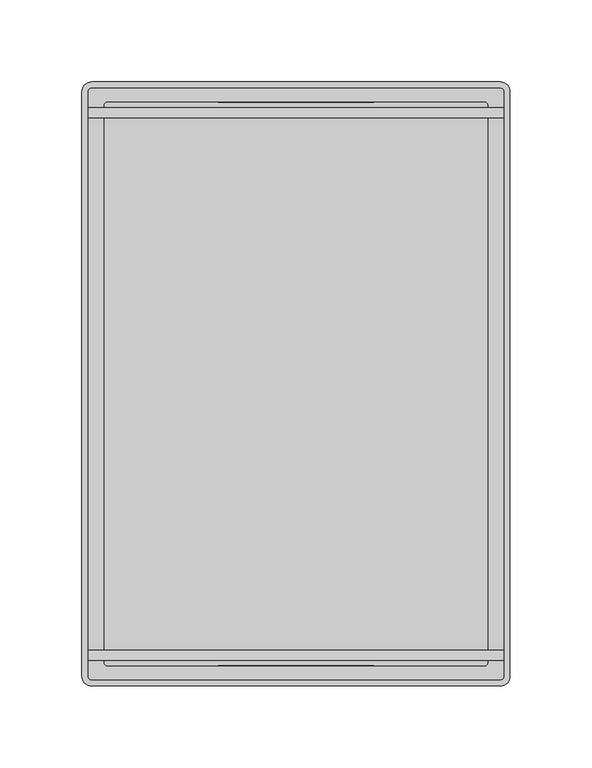
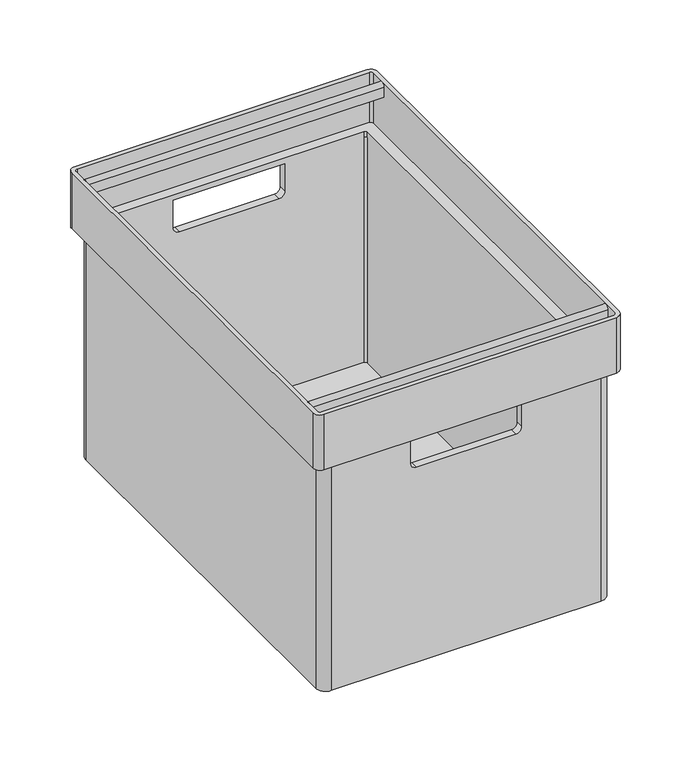
"""IFC4 building model written with IfcOpenShell, lengths in millimetres: furniture geometry."""

from ifc_helpers import new_model, si_unit, point, frame, frame_2d, origin, place, context, project, spatial, polyline, circle_curve, trimmed, segment, composite_curve, outline, extrude, source, transform, mapped, element, save
from ifc_brep_helpers import plane_surface, cylinder_surface, revolved_surface, advanced_brep


def furniture_829173c0(model_context):
    return source(origin(), model_context, "Body", "SolidModel", [
        extrude(outline(composite_curve([segment(polyline([(-15.8435052, 244.0), (-21.8435052, 244.0), (-21.8435052, 253.0)]), True, "CONTINUOUS"), segment(trimmed(circle_curve(frame_2d((-18.8435052, 253.0)), 3.0), [point((-21.8435052, 253.0))], [point((-15.8435052, 253.0))], False, "CARTESIAN"), True, "CONTINUOUS"), segment(polyline([(-15.8435052, 253.0), (-15.8435052, 244.0)]), True, "CONTINUOUS")], self_intersect=False)), frame((-126.7429658, 0.0, 0.0), z_axis=(1.0, 0.0, 0.0), x_axis=(0.0, 1.0, 0.0)), (0.0, 0.0, 1.0), 253.4858917),
        extrude(outline(composite_curve([segment(polyline([(-346.8212343, 244.0), (-352.8212343, 244.0), (-352.8212343, 253.0)]), True, "CONTINUOUS"), segment(trimmed(circle_curve(frame_2d((-349.8212343, 253.0)), 3.0), [point((-352.8212343, 253.0))], [point((-346.8212343, 253.0))], False, "CARTESIAN"), True, "CONTINUOUS"), segment(polyline([(-346.8212343, 253.0), (-346.8212343, 244.0)]), True, "CONTINUOUS")], self_intersect=False)), frame((-126.7429658, 0.0, 0.0), z_axis=(1.0, 0.0, 0.0), x_axis=(0.0, 1.0, 0.0)), (0.0, 0.0, 1.0), 253.4858917),
        advanced_brep(
        [(114.982071, -5.7194758, 0.0), (123.6128754, -14.3502802, 0.0), (123.6128754, -354.3502809, 0.0), (115.0178948, -362.9452614, 0.0), (-115.0179245, -362.9452614, 0.0), (-123.612909, -354.3502769, 0.0), (-123.612909, -14.3502769, 0.0), (-114.9821078, -5.7194758, 0.0), (-114.9821078, -5.7194758, 206.0), (-47.5000168, -5.7194758, 206.0), (-47.5000168, -5.7194758, 181.0), (-42.5000168, -5.7194758, 176.0), (42.4999832, -5.7194758, 176.0), (47.4999832, -5.7194758, 181.0), (47.4999832, -5.7194758, 206.0), (114.982071, -5.7194758, 206.0), (-123.612909, -14.3502769, 206.0), (-123.612909, -354.3502769, 206.0), (-115.0179245, -362.9452614, 206.0), (115.0178948, -362.9452614, 206.0), (47.4999832, -362.9452614, 206.0), (47.4999832, -362.9452614, 181.0), (42.4999832, -362.9452614, 176.0), (-42.5000168, -362.9452614, 176.0), (-47.5000168, -362.9452614, 181.0), (-47.5000168, -362.9452614, 206.0), (123.6128754, -354.3502809, 206.0), (123.6128754, -14.3502802, 206.0), (-115.0179245, -356.3452614, 206.0), (-115.0179245, -356.3452614, 3.0), (-117.012909, -354.3502769, 3.0), (-117.012909, -354.3502769, 206.0), (-117.012909, -14.3502769, 3.0), (-117.012909, -14.3502769, 206.0), (-117.012909, -14.3502769, 211.0), (-117.012909, -354.3502769, 211.0), (-114.9821078, -12.3194758, 3.0), (-114.9821078, -12.3194758, 206.0), (114.982071, -12.3194758, 3.0), (114.982071, -12.3194758, 206.0), (114.982071, -12.3194758, 211.0), (-114.9821078, -12.3194758, 211.0), (-47.5000168, -12.3194758, 181.0), (-47.5000168, -12.3194758, 206.0), (47.4999832, -12.3194758, 206.0), (47.4999832, -12.3194758, 181.0), (42.4999832, -12.3194758, 176.0), (-42.5000168, -12.3194758, 176.0), (117.0128754, -14.3502802, 3.0), (117.0128754, -14.3502802, 206.0), (117.0128754, -354.3502809, 3.0), (117.0128754, -354.3502809, 206.0), (117.0128754, -354.3502809, 211.0), (117.0128754, -14.3502802, 211.0), (115.0178948, -356.3452614, 3.0), (115.0178948, -356.3452614, 206.0), (-115.0179245, -356.3452614, 211.0), (115.0178948, -356.3452614, 211.0), (-47.5000168, -356.3452614, 206.0), (-47.5000168, -356.3452614, 181.0), (-42.5000168, -356.3452614, 176.0), (42.4999832, -356.3452614, 176.0), (47.4999832, -356.3452614, 181.0), (47.4999832, -356.3452614, 206.0), (-130.6129594, -362.7927468, 256.0), (-124.7437224, -368.6619836, 256.0), (124.7436887, -368.6619836, 256.0), (130.6129257, -362.7927468, 256.0), (130.6129323, -5.8719918, 256.0), (124.7436938, -0.0027532, 256.0), (-124.7437822, -0.0027532, 256.0), (-130.612966, -5.8719372, 256.0), (-126.7429594, -362.7927467, 256.0), (-126.742966, -5.8719371, 256.0), (-124.7437822, -3.8727532, 256.0), (124.7436938, -3.8727532, 256.0), (126.7429323, -5.8719918, 256.0), (126.7429257, -362.7927467, 256.0), (124.7436887, -364.7919836, 256.0), (-124.7437224, -364.7919836, 256.0), (-130.6129594, -362.7927468, 206.0), (-130.612966, -5.8719372, 206.0), (-124.7437822, -0.0027532, 206.0), (124.7436938, -0.0027532, 206.0), (130.6129323, -5.8719918, 206.0), (130.6129257, -362.7927468, 206.0), (124.7436887, -368.6619836, 206.0), (-124.7437224, -368.6619836, 206.0), (-126.7429594, -362.7927467, 211.0), (-126.742966, -5.8719371, 211.0), (-124.7437822, -3.8727532, 211.0), (124.7436938, -3.8727532, 211.0), (126.7429323, -5.8719918, 211.0), (126.7429257, -362.7927467, 211.0), (124.7436887, -364.7919836, 211.0), (-124.7437224, -364.7919836, 211.0)],
        [
            (0, 1, circle_curve(frame((114.982071, -14.3502802, 0.0), z_axis=(0.0, 0.0, -1.0), x_axis=(1.0, 0.0, 0.0)), 8.6308044)),
            (1, 2),
            (2, 3, circle_curve(frame((115.0178948, -354.3502809, 0.0), z_axis=(0.0, 0.0, -1.0), x_axis=(1.0, 0.0, 0.0)), 8.5949806)),
            (3, 4),
            (4, 5, circle_curve(frame((-115.0179245, -354.3502769, 0.0), z_axis=(0.0, 0.0, -1.0), x_axis=(1.0, 0.0, 0.0)), 8.5949845)),
            (5, 6),
            (6, 7, circle_curve(frame((-114.9821078, -14.3502769, 0.0), z_axis=(0.0, 0.0, -1.0), x_axis=(1.0, 0.0, 0.0)), 8.6308012)),
            (7, 0),
            (7, 8),
            (8, 9),
            (9, 10),
            (10, 11, circle_curve(frame((-42.5000168, -5.7194758, 181.0), z_axis=(0.0, -1.0, 0.0), x_axis=(-0.7071067811865476, 0.0, -0.7071067811865476)), 5.0)),
            (11, 12),
            (12, 13, circle_curve(frame((42.4999832, -5.7194758, 181.0), z_axis=(0.0, -1.0, 0.0), x_axis=(0.7071067811865476, 0.0, -0.7071067811865476)), 5.0)),
            (13, 14),
            (14, 15),
            (15, 0),
            (6, 16),
            (16, 8, circle_curve(frame((-114.9821078, -14.3502769, 206.0), z_axis=(0.0, 0.0, -1.0), x_axis=(1.0, 0.0, 0.0)), 8.6308012)),
            (5, 17),
            (17, 16),
            (4, 18),
            (18, 17, circle_curve(frame((-115.0179245, -354.3502769, 206.0), z_axis=(0.0, 0.0, -1.0), x_axis=(1.0, 0.0, 0.0)), 8.5949845)),
            (3, 19),
            (19, 20),
            (20, 21),
            (21, 22, circle_curve(frame((42.4999832, -362.9452614, 181.0), z_axis=(0.0, 1.0, 0.0), x_axis=(0.7071067811865476, 0.0, -0.7071067811865476)), 5.0)),
            (22, 23),
            (23, 24, circle_curve(frame((-42.5000168, -362.9452614, 181.0), z_axis=(0.0, 1.0, 0.0), x_axis=(-0.7071067811865476, 0.0, -0.7071067811865476)), 5.0)),
            (24, 25),
            (25, 18),
            (2, 26),
            (26, 19, circle_curve(frame((115.0178948, -354.3502809, 206.0), z_axis=(0.0, 0.0, -1.0), x_axis=(1.0, 0.0, 0.0)), 8.5949806)),
            (1, 27),
            (27, 26),
            (15, 27, circle_curve(frame((114.982071, -14.3502802, 206.0), z_axis=(0.0, 0.0, -1.0), x_axis=(1.0, 0.0, 0.0)), 8.6308044)),
            (28, 29),
            (29, 30, circle_curve(frame((-115.0179245, -354.3502769, 3.0), z_axis=(0.0, 0.0, -1.0), x_axis=(1.0, 0.0, 0.0)), 1.9949845)),
            (30, 31),
            (31, 28, circle_curve(frame((-115.0179245, -354.3502769, 206.0), z_axis=(0.0, 0.0, 1.0), x_axis=(1.0, 0.0, 0.0)), 1.9949845)),
            (30, 32),
            (32, 33),
            (33, 34),
            (34, 35),
            (35, 31),
            (32, 36, circle_curve(frame((-114.9821078, -14.3502769, 3.0), z_axis=(0.0, 0.0, -1.0), x_axis=(1.0, 0.0, 0.0)), 2.0308012)),
            (36, 37),
            (37, 33, circle_curve(frame((-114.9821078, -14.3502769, 206.0), z_axis=(0.0, 0.0, 1.0), x_axis=(1.0, 0.0, 0.0)), 2.0308012)),
            (36, 38),
            (38, 39),
            (39, 40),
            (40, 41),
            (41, 37),
            (42, 43),
            (43, 44),
            (44, 45),
            (45, 46, circle_curve(frame((42.4999832, -12.3194758, 181.0), z_axis=(0.0, 1.0, 0.0), x_axis=(0.7071067811865476, 0.0, -0.7071067811865476)), 5.0)),
            (46, 47),
            (47, 42, circle_curve(frame((-42.5000168, -12.3194758, 181.0), z_axis=(0.0, 1.0, 0.0), x_axis=(-0.7071067811865476, 0.0, -0.7071067811865476)), 5.0)),
            (38, 48, circle_curve(frame((114.982071, -14.3502802, 3.0), z_axis=(0.0, 0.0, -1.0), x_axis=(1.0, 0.0, 0.0)), 2.0308044)),
            (48, 49),
            (49, 39, circle_curve(frame((114.982071, -14.3502802, 206.0), z_axis=(0.0, 0.0, 1.0), x_axis=(1.0, 0.0, 0.0)), 2.0308044)),
            (48, 50),
            (50, 51),
            (51, 52),
            (52, 53),
            (53, 49),
            (50, 54, circle_curve(frame((115.0178948, -354.3502809, 3.0), z_axis=(0.0, 0.0, -1.0), x_axis=(1.0, 0.0, 0.0)), 1.9949806)),
            (54, 55),
            (55, 51, circle_curve(frame((115.0178948, -354.3502809, 206.0), z_axis=(0.0, 0.0, 1.0), x_axis=(1.0, 0.0, 0.0)), 1.9949806)),
            (28, 56),
            (56, 57),
            (57, 55),
            (54, 29),
            (58, 59),
            (59, 60, circle_curve(frame((-42.5000168, -356.3452614, 181.0), z_axis=(0.0, -1.0, 0.0), x_axis=(-0.7071067811865476, 0.0, -0.7071067811865476)), 5.0)),
            (60, 61),
            (61, 62, circle_curve(frame((42.4999832, -356.3452614, 181.0), z_axis=(0.0, -1.0, 0.0), x_axis=(0.7071067811865476, 0.0, -0.7071067811865476)), 5.0)),
            (62, 63),
            (63, 58),
            (9, 43),
            (42, 10),
            (58, 25),
            (24, 59),
            (47, 11),
            (23, 60),
            (46, 12),
            (22, 61),
            (45, 13),
            (21, 62),
            (44, 14),
            (20, 63),
            (64, 65, circle_curve(frame((-124.7437224, -362.7927466, 256.0), z_axis=(0.0, 0.0, 1.0), x_axis=(-0.7071071357819734, -0.707106426590944, 0.0)), 5.869237)),
            (65, 66),
            (66, 67, circle_curve(frame((124.7436887, -362.7927466, 256.0), z_axis=(0.0, 0.0, 1.0), x_axis=(0.707107135781973, -0.7071064265909442, 0.0)), 5.869237)),
            (67, 68),
            (68, 69, circle_curve(frame((124.7436938, -5.8719917, 256.0), z_axis=(0.0, 0.0, 1.0), x_axis=(0.7070971226495167, 0.7071164395916518, 0.0)), 5.8692385)),
            (69, 70),
            (70, 71, circle_curve(frame((-124.7437822, -5.8719371, 256.0), z_axis=(0.0, 0.0, 1.0), x_axis=(-0.7071066694437559, 0.7071068929293217, 0.0)), 5.8691838)),
            (71, 64),
            (72, 73),
            (73, 74, circle_curve(frame((-124.7437822, -5.8719371, 256.0), z_axis=(0.0, 0.0, -1.0), x_axis=(-0.7071066694437559, 0.7071068929293217, 0.0)), 1.9991838)),
            (74, 75),
            (75, 76, circle_curve(frame((124.7436938, -5.8719917, 256.0), z_axis=(0.0, 0.0, -1.0), x_axis=(0.7070971226495167, 0.7071164395916518, 0.0)), 1.9992385)),
            (76, 77),
            (77, 78, circle_curve(frame((124.7436887, -362.7927466, 256.0), z_axis=(0.0, 0.0, -1.0), x_axis=(0.707107135781973, -0.7071064265909442, 0.0)), 1.999237)),
            (78, 79),
            (79, 72, circle_curve(frame((-124.7437224, -362.7927466, 256.0), z_axis=(0.0, 0.0, -1.0), x_axis=(-0.7071071357819734, -0.707106426590944, 0.0)), 1.999237)),
            (80, 81),
            (81, 82, circle_curve(frame((-124.7437822, -5.8719371, 206.0), z_axis=(0.0, 0.0, -1.0), x_axis=(-0.7071066694437559, 0.7071068929293217, 0.0)), 5.8691838)),
            (82, 83),
            (83, 84, circle_curve(frame((124.7436938, -5.8719917, 206.0), z_axis=(0.0, 0.0, -1.0), x_axis=(0.7070971226495167, 0.7071164395916518, 0.0)), 5.8692385)),
            (84, 85),
            (85, 86, circle_curve(frame((124.7436887, -362.7927466, 206.0), z_axis=(0.0, 0.0, -1.0), x_axis=(0.707107135781973, -0.7071064265909442, 0.0)), 5.869237)),
            (86, 87),
            (87, 80, circle_curve(frame((-124.7437224, -362.7927466, 206.0), z_axis=(0.0, 0.0, -1.0), x_axis=(-0.7071071357819734, -0.707106426590944, 0.0)), 5.869237)),
            (72, 88),
            (88, 89),
            (89, 73),
            (89, 90, circle_curve(frame((-124.7437822, -5.8719371, 211.0), z_axis=(0.0, 0.0, -1.0), x_axis=(-0.7071066694437559, 0.7071068929293217, 0.0)), 1.9991838)),
            (90, 74),
            (90, 91),
            (91, 75),
            (91, 92, circle_curve(frame((124.7436938, -5.8719917, 211.0), z_axis=(0.0, 0.0, -1.0), x_axis=(0.7070971226495167, 0.7071164395916518, 0.0)), 1.9992385)),
            (92, 76),
            (92, 93),
            (93, 77),
            (93, 94, circle_curve(frame((124.7436887, -362.7927466, 211.0), z_axis=(0.0, 0.0, -1.0), x_axis=(0.707107135781973, -0.7071064265909442, 0.0)), 1.999237)),
            (94, 78),
            (94, 95),
            (95, 79),
            (95, 88, circle_curve(frame((-124.7437224, -362.7927466, 211.0), z_axis=(0.0, 0.0, -1.0), x_axis=(-0.7071071357819734, -0.707106426590944, 0.0)), 1.999237)),
            (64, 80),
            (87, 65),
            (86, 66),
            (85, 67),
            (84, 68),
            (83, 69),
            (82, 70),
            (81, 71),
            (34, 41, circle_curve(frame((-114.9821078, -14.3502769, 211.0), z_axis=(0.0, 0.0, -1.0), x_axis=(1.0, 0.0, 0.0)), 2.0308012)),
            (40, 53, circle_curve(frame((114.982071, -14.3502802, 211.0), z_axis=(0.0, 0.0, -1.0), x_axis=(1.0, 0.0, 0.0)), 2.0308044)),
            (52, 57, circle_curve(frame((115.0178948, -354.3502809, 211.0), z_axis=(0.0, 0.0, -1.0), x_axis=(1.0, 0.0, 0.0)), 1.9949806)),
            (56, 35, circle_curve(frame((-115.0179245, -354.3502769, 211.0), z_axis=(0.0, 0.0, -1.0), x_axis=(1.0, 0.0, 0.0)), 1.9949845)),
        ],
        [
            plane_surface(frame((-115.017929, -5.7194758, 0.0), z_axis=(0.0, 0.0, -1.0), x_axis=(1.0, 0.0, 0.0))),
            plane_surface(frame((114.982071, -5.7194758, 206.0), z_axis=(0.0, 1.0, 0.0), x_axis=(0.0, 0.0, -1.0))),
            cylinder_surface(frame((-114.9821078, -14.3502769, 0.0), z_axis=(0.0, 0.0, 1.0), x_axis=(1.0, 0.0, 0.0)), 8.6308012),
            plane_surface(frame((-123.612909, -14.3502769, 206.0), z_axis=(-1.0, 0.0, 0.0), x_axis=(0.0, 0.0, -1.0))),
            cylinder_surface(frame((-115.0179245, -354.3502769, 0.0), z_axis=(0.0, 0.0, 1.0), x_axis=(1.0, 0.0, 0.0)), 8.5949845),
            plane_surface(frame((-115.0179245, -362.9452614, 206.0), z_axis=(0.0, -1.0, 0.0), x_axis=(0.0, 0.0, -1.0))),
            cylinder_surface(frame((115.0178948, -354.3502809, 0.0), z_axis=(0.0, 0.0, 1.0), x_axis=(1.0, 0.0, 0.0)), 8.5949806),
            plane_surface(frame((123.6128754, -354.3502809, 206.0), z_axis=(1.0, 0.0, 0.0), x_axis=(0.0, 0.0, -1.0))),
            cylinder_surface(frame((114.982071, -14.3502802, 0.0), z_axis=(0.0, 0.0, 1.0), x_axis=(1.0, 0.0, 0.0)), 8.6308044),
            revolved_surface(polyline([(-113.02294, -354.3502769, 3.0), (-113.02294, -354.3502769, 206.0)]), (-115.0179245, -354.3502769, 0.0), (0.0, 0.0, -1.0)),
            plane_surface(frame((-117.012909, -354.3502769, 206.0), z_axis=(1.0, 0.0, 0.0), x_axis=(0.0, 0.0, -1.0))),
            revolved_surface(polyline([(-112.9513066, -14.3502769, 3.0), (-112.9513066, -14.3502769, 206.0)]), (-114.9821078, -14.3502769, 0.0), (0.0, 0.0, -1.0)),
            plane_surface(frame((-114.9821078, -12.3194758, 206.0), z_axis=(0.0, -1.0, 0.0), x_axis=(0.0, 0.0, -1.0))),
            revolved_surface(polyline([(117.0128754, -14.3502802, 3.0), (117.0128754, -14.3502802, 206.0)]), (114.982071, -14.3502802, 0.0), (0.0, 0.0, -1.0)),
            plane_surface(frame((117.0128754, -14.3502802, 206.0), z_axis=(-1.0, 0.0, 0.0), x_axis=(0.0, 0.0, -1.0))),
            revolved_surface(polyline([(117.0128754, -354.3502809, 3.0), (117.0128754, -354.3502809, 206.0)]), (115.0178948, -354.3502809, 0.0), (0.0, 0.0, -1.0)),
            plane_surface(frame((115.0178948, -356.3452614, 206.0), z_axis=(0.0, 1.0, 0.0), x_axis=(0.0, 0.0, -1.0))),
            plane_surface(frame((-117.012909, -354.3502769, 3.0), z_axis=(0.0, 0.0, 1.0), x_axis=(0.0, -1.0, 0.0))),
            plane_surface(frame((-47.5000168, -368.6647369, 206.0), z_axis=(1.0, 0.0, 0.0), x_axis=(0.0, 1.0, 0.0))),
            revolved_surface(polyline([(-46.035550705932735, -12.319475800000006, 177.46446609406726), (-46.035550705932735, -5.719475800000001, 177.46446609406726)]), (-42.5000168, 0.0, 181.0), (0.0, -1.0000000000000002, 0.0)),
            revolved_surface(polyline([(-46.035550705932735, -362.9452614000001, 177.46446609406726), (-46.035550705932735, -356.34526140000014, 177.46446609406726)]), (-42.5000168, 0.0, 181.0), (0.0, -1.0000000000000002, 0.0)),
            plane_surface(frame((-42.5000168, -368.6647369, 176.0), z_axis=(0.0, 0.0, 1.0), x_axis=(0.0, 1.0, 0.0))),
            revolved_surface(polyline([(46.03551710593274, -12.319475800000006, 177.46446609406726), (46.03551710593274, -5.719475800000001, 177.46446609406726)]), (42.4999832, 0.0, 181.0), (0.0, -1.0000000000000002, 0.0)),
            revolved_surface(polyline([(46.03551710593274, -362.9452614000001, 177.46446609406726), (46.03551710593274, -356.34526140000014, 177.46446609406726)]), (42.4999832, 0.0, 181.0), (0.0, -1.0000000000000002, 0.0)),
            plane_surface(frame((47.4999832, -368.6647369, 181.0), z_axis=(-1.0, 0.0, 0.0), x_axis=(0.0, 1.0, 0.0))),
            plane_surface(frame((-126.742966, -5.8719371, 256.0), z_axis=(0.0, 0.0, 1.0000000000000002), x_axis=(-1.8490569476654465e-08, 0.9999999999999999, 0.0))),
            plane_surface(frame((-126.742966, -5.8719371, 206.0), z_axis=(0.0, 0.0, -1.0000000000000002), x_axis=(1.8490569476654465e-08, -0.9999999999999999, 0.0))),
            plane_surface(frame((-126.7429594, -362.7927467, 256.0), z_axis=(0.9999999999999999, 1.8490569476654465e-08, 0.0), x_axis=(0.0, 0.0, -1.0))),
            revolved_surface(polyline([(-126.15741839842391, -4.4583004547873655, 211.0), (-126.15741839842391, -4.4583004547873655, 256.0)]), (-124.7437822, -5.8719371, 206.0), (0.0, 0.0, -1.0000000000000002)),
            plane_surface(frame((-124.7437822, -3.8727532, 256.0), z_axis=(0.0, -1.0, 0.0), x_axis=(0.0, 0.0, -1.0))),
            revolved_surface(polyline([(126.15734959084014, -4.458297289985445, 211.0), (126.15734959084014, -4.458297289985445, 256.0)]), (124.7436938, -5.8719917, 206.0), (0.0, 0.0, -1.0)),
            plane_surface(frame((126.7429323, -5.8719918, 256.0), z_axis=(-0.9999999999999999, 1.8490838391789205e-08, 0.0), x_axis=(0.0, 0.0, -1.0))),
            revolved_surface(polyline([(126.15736344881935, -364.20641993097837, 211.0), (126.15736344881935, -364.20641993097837, 256.0)]), (124.7436887, -362.7927466, 206.0), (0.0, 0.0, -1.0)),
            plane_surface(frame((124.7436887, -364.7919836, 256.0), z_axis=(0.0, 1.0, 0.0), x_axis=(0.0, 0.0, -1.0))),
            revolved_surface(polyline([(-126.15739714881934, -364.20641993097837, 211.0), (-126.15739714881934, -364.20641993097837, 256.0)]), (-124.7437224, -362.7927466, 206.0), (0.0, 0.0, -1.0000000000000002)),
            cylinder_surface(frame((-124.7437224, -362.7927466, 0.0), z_axis=(0.0, 0.0, 1.0000000000000002), x_axis=(-0.7071071357819734, -0.707106426590944, 0.0)), 5.869237),
            plane_surface(frame((-124.7437224, -368.6619836, 256.0), z_axis=(0.0, -1.0, 0.0), x_axis=(0.0, 0.0, -1.0))),
            cylinder_surface(frame((124.7436887, -362.7927466, 0.0), z_axis=(0.0, 0.0, 1.0), x_axis=(0.707107135781973, -0.7071064265909442, 0.0)), 5.869237),
            plane_surface(frame((130.6129257, -362.7927468, 256.0), z_axis=(0.9999999999999999, -1.8490838391789198e-08, 0.0), x_axis=(0.0, 0.0, -1.0))),
            cylinder_surface(frame((124.7436938, -5.8719917, 0.0), z_axis=(0.0, 0.0, 1.0), x_axis=(0.7070971226495167, 0.7071164395916518, 0.0)), 5.8692385),
            plane_surface(frame((124.7436938, -0.0027532, 256.0), z_axis=(0.0, 1.0, 0.0), x_axis=(0.0, 0.0, -1.0))),
            cylinder_surface(frame((-124.7437822, -5.8719371, 0.0), z_axis=(0.0, 0.0, 1.0000000000000002), x_axis=(-0.7071066694437559, 0.7071068929293217, 0.0)), 5.8691838),
            plane_surface(frame((-130.612966, -5.8719372, 256.0), z_axis=(-0.9999999999999999, -1.8490569476654465e-08, 0.0), x_axis=(0.0, 0.0, -1.0))),
            plane_surface(frame((-126.7429594, -362.7927467, 211.0), z_axis=(0.0, 0.0, 1.0000000000000002), x_axis=(1.8490457032207676e-08, -0.9999999999999999, 0.0))),
            revolved_surface(polyline([(-112.9513066, -14.3502769, 206.0), (-112.9513066, -14.3502769, 211.0)]), (-114.9821078, -14.3502769, 0.0), (0.0, 0.0, -1.0)),
            revolved_surface(polyline([(117.0128754, -14.3502802, 206.0), (117.0128754, -14.3502802, 211.0)]), (114.982071, -14.3502802, 0.0), (0.0, 0.0, -1.0)),
            revolved_surface(polyline([(117.0128754, -354.3502809, 206.0), (117.0128754, -354.3502809, 211.0)]), (115.0178948, -354.3502809, 0.0), (0.0, 0.0, -1.0)),
            revolved_surface(polyline([(-113.02294, -354.3502769, 206.0), (-113.02294, -354.3502769, 211.0)]), (-115.0179245, -354.3502769, 0.0), (0.0, 0.0, -1.0)),
        ],
        [
            (0, [[1, 2, 3, 4, 5, 6, 7, 8]]),
            (1, [[-8, 9, 10, 11, 12, 13, 14, 15, 16, 17]]),
            (2, [[-7, 18, 19, -9]]),
            (3, [[-6, 20, 21, -18]]),
            (4, [[-5, 22, 23, -20]]),
            (5, [[-4, 24, 25, 26, 27, 28, 29, 30, 31, -22]]),
            (6, [[-3, 32, 33, -24]]),
            (7, [[-2, 34, 35, -32]]),
            (8, [[-1, -17, 36, -34]]),
            (9, [[37, 38, 39, 40]]),
            (10, [[-39, 41, 42, 43, 44, 45]]),
            (11, [[-42, 46, 47, 48]]),
            (12, [[-47, 49, 50, 51, 52, 53], [54, 55, 56, 57, 58, 59]]),
            (13, [[-50, 60, 61, 62]]),
            (14, [[-61, 63, 64, 65, 66, 67]]),
            (15, [[-64, 68, 69, 70]]),
            (16, [[-37, 71, 72, 73, -69, 74], [75, 76, 77, 78, 79, 80]]),
            (17, [[-38, -74, -68, -63, -60, -49, -46, -41]]),
            (18, [[81, -54, 82, -11]]),
            (18, [[83, -30, 84, -75]]),
            (19, [[-82, -59, 85, -12]]),
            (20, [[-84, -29, 86, -76]]),
            (21, [[-85, -58, 87, -13]]),
            (21, [[-86, -28, 88, -77]]),
            (22, [[-87, -57, 89, -14]]),
            (23, [[-88, -27, 90, -78]]),
            (24, [[-89, -56, 91, -15]]),
            (24, [[-90, -26, 92, -79]]),
            (25, [[93, 94, 95, 96, 97, 98, 99, 100], [101, 102, 103, 104, 105, 106, 107, 108]]),
            (26, [[109, 110, 111, 112, 113, 114, 115, 116], [-19, -21, -23, -31, -83, -80, -92, -25, -33, -35, -36, -16, -91, -55, -81, -10]]),
            (27, [[-101, 117, 118, 119]]),
            (28, [[-102, -119, 120, 121]]),
            (29, [[-103, -121, 122, 123]]),
            (30, [[-104, -123, 124, 125]]),
            (31, [[-105, -125, 126, 127]]),
            (32, [[-106, -127, 128, 129]]),
            (33, [[-107, -129, 130, 131]]),
            (34, [[-108, -131, 132, -117]]),
            (35, [[-93, 133, -116, 134]]),
            (36, [[-94, -134, -115, 135]]),
            (37, [[-95, -135, -114, 136]]),
            (38, [[-96, -136, -113, 137]]),
            (39, [[-97, -137, -112, 138]]),
            (40, [[-98, -138, -111, 139]]),
            (41, [[-99, -139, -110, 140]]),
            (42, [[-100, -140, -109, -133]]),
            (43, [[-118, -132, -130, -128, -126, -124, -122, -120], [141, -52, 142, -66, 143, -72, 144, -44]]),
            (44, [[-141, -43, -48, -53]]),
            (45, [[-142, -51, -62, -67]]),
            (46, [[-143, -65, -70, -73]]),
            (47, [[-144, -71, -40, -45]]),
        ],
    ),
    ])


if __name__ == "__main__":
    model = new_model("IFC4")
    model_context = context("Model", 3, world=origin())
    ifc_project = project(units=[si_unit("LENGTHUNIT", "METRE", prefix="MILLI")], contexts=[model_context])
    site = spatial("IfcSite", under=ifc_project)
    building = spatial("IfcBuilding", under=site)
    placement = place(None, origin())
    furniture_shape = furniture_829173c0(model_context)
    element("IfcFurniture", 1, at=placement, inside=building, context=model_context, shape_type="MappedRepresentation", body=[
        mapped(furniture_shape, transform((0.0, 0.0, 0.0), x_axis=(1.0, 0.0, 0.0), y_axis=(0.0, 1.0, 0.0), z_axis=(0.0, 0.0, 1.0))),
    ])
    save(model, "model.ifc")
